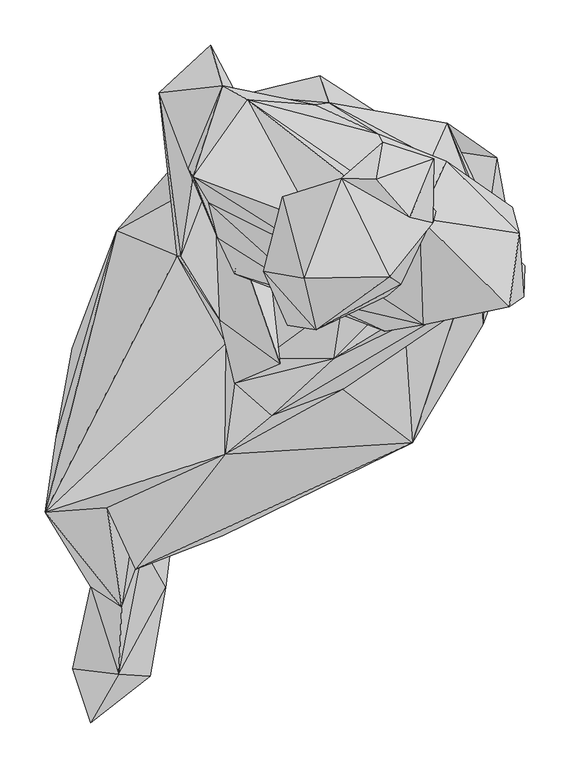
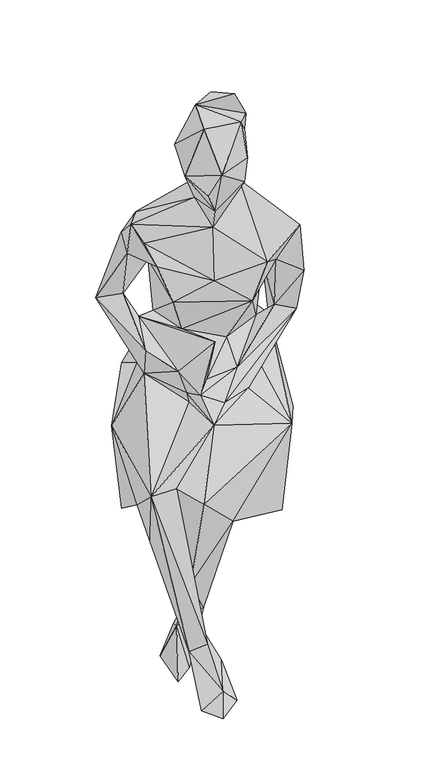
"""IFC4 building model written with IfcOpenShell, lengths in millimetres: geographic element geometry."""

from ifc_helpers import new_model, si_unit, origin, place, context, project, spatial, faceted_brep, source, transform, mapped, element, save


def geographic_element_cc61f4b4(model_context):
    return source(origin(), model_context, "Body", "Brep", [
        faceted_brep([(-41.8544406, -206.1751757, 389.9437141), (145.1644581, -98.0012107, 289.7869015), (167.8314188, -103.8966092, 518.9962919), (245.5887317, 26.1847672, 460.530782), (191.3060522, -8.0135799, 395.1535474), (79.2942335, -67.3251293, 391.1695134), (278.5051133, 113.9213876, 430.7176716), (217.7466872, 203.5738205, 406.6983411), (-55.0751977, -132.6140894, 383.440311), (-75.5794039, -133.8550432, 125.4144444), (-104.2023884, -111.9824038, 144.7730941), (-130.4397567, -132.6212271, 399.4772683), (-138.1493492, -185.1191349, 239.612189), (-129.4038578, -94.480722, 76.1517426), (-159.4701539, -159.8017941, 120.3240514), (-72.5109121, -71.2084463, 83.3531831), (-225.0533076, -97.1052635, 431.7839092), (-196.1735761, -102.9453935, 329.5632858), (-98.0787712, 40.7552379, 347.121145), (-207.7664707, 0.3325248, 357.7191189), (-237.322864, -180.4450728, 508.6300906), (-158.7667744, 129.815711, 485.1465463), (-187.2694022, -262.7899614, 122.5599035), (-129.4252558, -220.3355702, 137.7249939), (-128.7744625, -235.2421255, 46.9796056), (-173.5289075, -290.6329, 11.9191863), (-207.2984402, -352.9523269, 23.7260458), (-156.1814527, -358.8432923, 62.3024843), (-152.91862, -285.1877177, 144.0197957), (-97.1801492, -206.6753034, 76.1927506), (-104.7301503, -263.773289, 71.0051871), (-121.5453878, -361.4490882, 26.9247029), (-187.1909625, -412.4947735, 31.5925289), (-169.0322438, -175.5401172, 503.4657058), (-137.5279708, -243.4883684, 492.058271), (-38.9535422, -116.3212792, 593.892865), (248.0010956, 138.2242275, 641.5285985), (159.677876, 19.658189, 602.345936), (91.3248572, -44.5966566, 605.8975979), (253.0593841, 136.0035373, 578.3248472), (252.1197765, 151.3950657, 462.2985962), (206.6619222, 248.6563294, 625.5326194), (261.0747484, 210.3232715, 479.1673363), (186.824543, 221.3456156, 550.6075553), (75.6043633, 271.2787058, 706.1338337), (189.5997501, 210.4159866, 698.2467684), (33.4548462, 283.2442785, 427.8221376), (66.0699151, 301.008936, 502.1998224), (-95.2518571, 190.6802333, 406.8142423), (-21.6203516, 279.6043123, 439.5915216), (-86.3325287, 212.1347759, 580.4867077), (-91.7928953, 102.4051519, 619.9715657), (-63.2162608, 182.2556831, 591.8852018), (-11.1703368, 201.1204486, 702.730945), (-56.0995184, 169.2034134, 633.1735771), (-58.7392144, 111.7336736, 618.5977383), (-54.8897714, 334.3264717, 699.4609746), (-52.0129421, 195.207206, 704.270533), (-111.8522422, 282.1352447, 722.729674), (-3.7888216, 237.2399539, 815.891077), (-41.6476163, 290.0882029, 870.3341377), (-66.7420915, 237.3264254, 745.5384043), (-88.2287238, 102.046779, 679.8375761), (-79.5144354, 199.090523, 881.5063129), (-45.2055404, 31.5015983, 652.767531), (-25.9182133, 17.2743516, 571.5120364), (-37.974685, 5.9533528, 606.9941446), (21.8851247, -16.5994948, 738.1016521), (-28.6247689, -38.232326, 623.9065451), (12.20268, -74.3063679, 611.2813278), (80.5191388, -11.4770083, 645.0151721), (2.678028, -11.2639431, 639.559261), (8.0572626, 108.9861156, 701.5924963), (-28.477674, 82.7095275, 801.6138574), (137.6447661, 18.8094915, 786.9043253), (90.6499986, 53.4696274, 684.0979968), (197.0953917, 105.6947472, 674.9147689), (229.8227669, 133.6945875, 795.3101894), (229.516101, 79.8701336, 708.3927901), (205.6188856, 206.4426367, 826.4855044), (131.0441925, 236.315471, 789.7615931), (176.3620504, 143.4652788, 1024.1068475), (-14.1479045, 274.4782533, 925.0795131), (60.2868341, 269.0919008, 853.2603874), (285.9008873, 127.033396, 875.7873665), (278.1975533, 155.6902509, 787.3999975), (274.9641206, 45.8759399, 927.6478772), (291.1089623, 57.1229451, 792.5135991), (218.1086364, 52.9552431, 849.5749726), (291.8444538, 91.3453612, 667.7303232), (179.851336, 26.2248848, 872.6484668), (61.2344883, 53.7869998, 846.3058963), (79.1105842, 93.2014424, 961.0065103), (-57.3547326, 161.012424, 924.7345214), (-46.9421627, 122.0366046, 881.0792456), (-74.24575, 189.4250191, 963.803041), (59.045884, 139.5115388, 1020.4748981), (113.6548356, 174.1805949, 1052.6896585), (140.4734535, 58.1864894, 1083.0956564), (164.1584764, 113.9632896, 1084.0824708), (64.4063942, 58.1882738, 1029.9763552), (61.3557279, 20.672701, 1152.1066285), (155.1197003, 70.7243672, 1136.1355641), (29.8238207, 25.7702243, 1102.6157004), (3.7968449, 85.3929062, 1129.9728015), (46.626571, 149.2073517, 1096.8851908), (48.0556296, 77.6173463, 1246.3270272), (24.5649365, 167.4667874, 1159.4827032), (193.656919, 151.4503341, 1151.1981345), (156.9213848, 193.2824975, 1169.7982405), (89.6247912, 187.6589931, 1231.2055674), (142.6477862, 79.2166804, 1232.9341021), (190.7845414, 138.8393623, 1202.5692314), (164.9394313, 144.6358097, 1260.232433), (191.7036599, 209.0163503, 1212.4067395), (128.4178629, 186.547292, 1253.5800779), (135.5640275, 227.5994094, 1199.8902411), (-136.6070641, -177.0600953, 10.2324922), (-94.7606552, -104.4627117, 40.4574792), (-182.0657976, -125.0738933, 25.5428978), (-189.6086759, -218.6194631, 14.6105874)], [[[0, 1, 2]], [[1, 3, 2]], [[3, 1, 4]], [[0, 5, 1]], [[5, 4, 1]], [[6, 3, 4]], [[4, 7, 6]], [[5, 7, 4]], [[7, 5, 8]], [[0, 8, 5]], [[8, 0, 9]], [[8, 9, 10]], [[8, 11, 7]], [[11, 8, 10]], [[11, 10, 12]], [[13, 14, 10]], [[14, 12, 10]], [[10, 9, 15]], [[13, 10, 15]], [[16, 7, 11]], [[11, 12, 17]], [[16, 11, 17]], [[16, 18, 7]], [[18, 16, 19]], [[16, 20, 21]], [[16, 17, 20]], [[16, 21, 19]], [[20, 17, 22]], [[22, 17, 23]], [[23, 17, 12]], [[22, 23, 24]], [[22, 25, 26]], [[26, 27, 22]], [[27, 28, 22]], [[28, 20, 22]], [[24, 25, 22]], [[24, 23, 29]], [[30, 24, 29]], [[30, 25, 24]], [[26, 25, 31]], [[31, 25, 30]], [[32, 26, 31]], [[27, 26, 32]], [[31, 30, 27]], [[31, 27, 32]], [[30, 23, 27]], [[27, 23, 28]], [[12, 33, 28]], [[20, 28, 33]], [[23, 12, 28]], [[33, 34, 35]], [[33, 12, 34]], [[33, 35, 20]], [[0, 12, 9]], [[0, 34, 12]], [[12, 14, 9]], [[2, 35, 34]], [[34, 0, 2]], [[2, 3, 36]], [[37, 38, 2]], [[36, 37, 2]], [[35, 2, 38]], [[39, 3, 40]], [[40, 3, 6]], [[39, 36, 3]], [[41, 39, 40]], [[42, 43, 40]], [[41, 40, 43]], [[42, 40, 6]], [[36, 39, 41]], [[44, 41, 7]], [[7, 41, 42]], [[45, 36, 41]], [[41, 44, 45]], [[43, 42, 41]], [[6, 7, 42]], [[7, 46, 47]], [[18, 48, 7]], [[7, 47, 44]], [[48, 46, 7]], [[49, 47, 46]], [[48, 49, 46]], [[49, 44, 47]], [[49, 50, 44]], [[50, 49, 48]], [[21, 50, 48]], [[21, 48, 18]], [[21, 18, 19]], [[51, 21, 20]], [[21, 51, 52]], [[52, 50, 21]], [[44, 50, 53]], [[53, 50, 52]], [[54, 53, 52]], [[51, 55, 52]], [[52, 55, 54]], [[56, 57, 54]], [[54, 51, 58]], [[54, 58, 56]], [[53, 54, 57]], [[55, 51, 54]], [[59, 56, 60]], [[56, 59, 61]], [[56, 61, 57]], [[58, 60, 56]], [[62, 58, 51]], [[58, 62, 61]], [[63, 58, 61]], [[63, 60, 58]], [[63, 61, 59]], [[57, 61, 62]], [[64, 62, 51]], [[57, 62, 64]], [[51, 20, 65]], [[66, 51, 65]], [[51, 66, 64]], [[67, 57, 64]], [[68, 67, 64]], [[66, 68, 64]], [[35, 66, 65]], [[68, 66, 35]], [[20, 35, 65]], [[68, 35, 69]], [[35, 38, 69]], [[68, 69, 70]], [[71, 67, 68]], [[70, 71, 68]], [[57, 67, 72]], [[67, 71, 72]], [[57, 72, 53]], [[72, 73, 53]], [[74, 73, 72]], [[72, 71, 75]], [[74, 72, 75]], [[70, 75, 71]], [[70, 76, 75]], [[74, 75, 76]], [[45, 77, 76]], [[74, 76, 77]], [[36, 45, 76]], [[76, 78, 36]], [[76, 70, 78]], [[79, 45, 80]], [[45, 44, 80]], [[79, 77, 45]], [[79, 80, 81]], [[81, 80, 82]], [[80, 83, 82]], [[83, 80, 44]], [[84, 79, 81]], [[77, 79, 85]], [[85, 79, 84]], [[84, 81, 86]], [[84, 86, 87]], [[84, 87, 85]], [[87, 36, 85]], [[77, 85, 36]], [[87, 88, 78]], [[88, 87, 86]], [[78, 89, 87]], [[87, 89, 36]], [[86, 81, 90]], [[88, 86, 90]], [[77, 88, 74]], [[77, 78, 88]], [[74, 88, 90]], [[77, 36, 78]], [[89, 78, 70]], [[69, 89, 70]], [[36, 89, 37]], [[89, 38, 37]], [[69, 38, 89]], [[74, 90, 91]], [[74, 91, 73]], [[91, 90, 92]], [[81, 92, 90]], [[93, 91, 92]], [[91, 93, 94]], [[94, 73, 91]], [[73, 59, 53]], [[94, 59, 73]], [[94, 63, 59]], [[94, 95, 63]], [[94, 93, 95]], [[92, 95, 93]], [[95, 96, 82]], [[63, 95, 60]], [[95, 92, 96]], [[95, 82, 60]], [[96, 97, 82]], [[82, 97, 81]], [[82, 83, 60]], [[60, 83, 59]], [[53, 59, 83]], [[44, 53, 83]], [[92, 81, 98]], [[81, 97, 99]], [[99, 98, 81]], [[100, 98, 101]], [[100, 92, 98]], [[101, 98, 102]], [[98, 99, 102]], [[96, 92, 100]], [[103, 100, 101]], [[104, 96, 100]], [[103, 104, 100]], [[96, 104, 105]], [[105, 97, 96]], [[106, 107, 104]], [[104, 101, 106]], [[104, 107, 105]], [[101, 104, 103]], [[105, 107, 97]], [[97, 108, 99]], [[97, 107, 109]], [[109, 108, 97]], [[107, 110, 109]], [[107, 106, 110]], [[111, 106, 101]], [[106, 111, 110]], [[102, 111, 101]], [[102, 108, 111]], [[111, 112, 110]], [[111, 108, 112]], [[102, 99, 108]], [[109, 112, 108]], [[113, 110, 112]], [[109, 114, 112]], [[114, 113, 112]], [[115, 113, 114]], [[113, 115, 110]], [[114, 116, 115]], [[109, 116, 114]], [[115, 116, 110]], [[110, 116, 109]], [[14, 117, 9]], [[9, 117, 118]], [[118, 15, 9]], [[118, 117, 119]], [[119, 117, 120]], [[120, 117, 14]], [[119, 14, 13]], [[120, 14, 119]], [[118, 119, 13]], [[13, 15, 118]], [[29, 23, 30]]]),
    ])


if __name__ == "__main__":
    model = new_model("IFC4")
    model_context = context("Model", 3, world=origin())
    ifc_project = project(units=[si_unit("LENGTHUNIT", "METRE", prefix="MILLI")], contexts=[model_context])
    site = spatial("IfcSite", under=ifc_project)
    building = spatial("IfcBuilding", under=site)
    placement = place(None, origin())
    geographic_element_shape = geographic_element_cc61f4b4(model_context)
    element("IfcGeographicElement", 1, at=placement, inside=building, context=model_context, shape_type="MappedRepresentation", body=[
        mapped(geographic_element_shape, transform((0.0, 0.0, 0.0), x_axis=(1.0, 0.0, 0.0), y_axis=(0.0, 1.0, 0.0), z_axis=(0.0, 0.0, 1.0))),
    ])
    save(model, "model.ifc")
